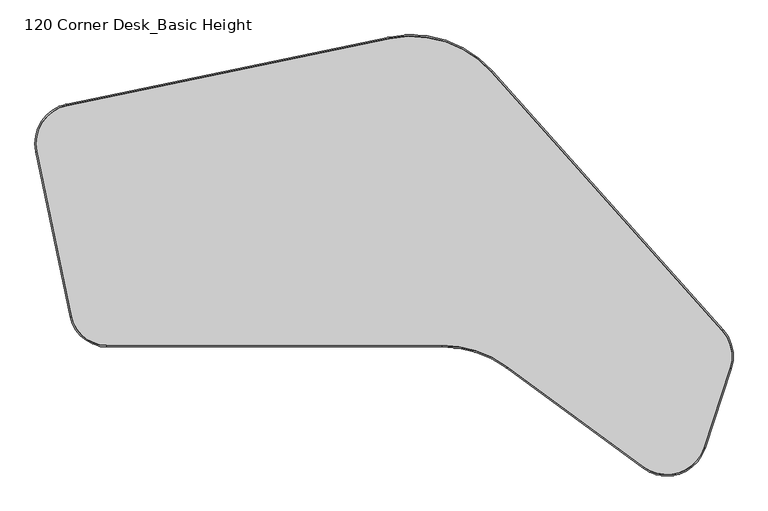
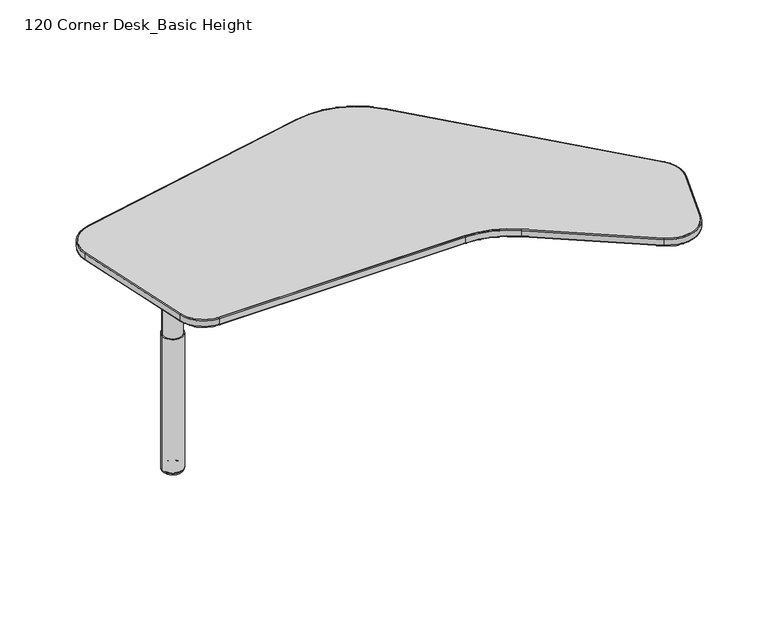
"""IFC4 building model written with IfcOpenShell, lengths in millimetres: furniture geometry, 120 Corner Desk_Basic Height."""

from ifc_helpers import new_model, si_unit, point, frame, frame_2d, origin, place, context, project, spatial, polyline, circle_curve, ellipse_curve, trimmed, segment, composite_curve, outline, extrude, source, transform, mapped, element, save
from ifc_brep_helpers import plane_surface, cylinder_surface, revolved_surface, advanced_brep


def furniture_120_corner_desk_basic_height_c9e0e424(model_context):
    return source(origin(), model_context, "Body", "SolidModel", [
        advanced_brep(
        [(218.1847437, 295.4283696, 672.2060139), (162.0492913, 299.8722401, 672.2060139), (190.1170175, 297.6503048, 672.2060139), (218.1847437, 295.4283696, 647.7686974), (162.0492913, 299.8722401, 647.7686974), (221.2754664, 295.1836976, 647.7686974), (158.9585686, 300.1169121, 647.7686974), (221.2754664, 295.1836976, 485.9002831), (158.9585686, 300.1169121, 485.9002831), (225.3000442, 294.8650985, 485.9002831), (154.9339908, 300.4355111, 485.9002831), (225.3000442, 294.8650985, 10.2163535), (154.9339908, 300.4355111, 10.2163535), (224.0360678, 294.9651591, 9.4693355), (156.1979672, 300.3354505, 9.4693355), (224.8786925, 294.8984541, 8.8323857), (155.3553425, 300.4021555, 8.8323857), (216.7436839, 295.5424487, 0.0), (163.4903512, 299.758161, 0.0), (190.1170175, 297.6503048, 0.0)],
        [
            (0, 1, circle_curve(frame((190.1170175, 297.6503048, 672.2060139), z_axis=(0.0, 0.0, 1.0), x_axis=(-0.9968812328975419, 0.07891645897198368, 0.0)), 28.1555368)),
            (1, 2),
            (2, 0),
            (1, 0, circle_curve(frame((190.1170175, 297.6503048, 672.2060139), z_axis=(0.0, 0.0, 1.0), x_axis=(-0.9968812328975419, 0.07891645897198368, 0.0)), 28.1555368)),
            (3, 4, circle_curve(frame((190.1170175, 297.6503048, 647.7686974), z_axis=(0.0, 0.0, 1.0), x_axis=(-0.9968812328975419, 0.07891645897198368, 0.0)), 28.1555368)),
            (4, 1),
            (0, 3),
            (4, 3, circle_curve(frame((190.1170175, 297.6503048, 647.7686974), z_axis=(0.0, 0.0, 1.0), x_axis=(-0.9968812328975419, 0.07891645897198368, 0.0)), 28.1555368)),
            (5, 6, circle_curve(frame((190.1170175, 297.6503048, 647.7686974), z_axis=(0.0, 0.0, 1.0), x_axis=(-0.9968812328975419, 0.07891645897198368, 0.0)), 31.2559289)),
            (6, 4),
            (3, 5),
            (6, 5, circle_curve(frame((190.1170175, 297.6503048, 647.7686974), z_axis=(0.0, 0.0, 1.0), x_axis=(-0.9968812328975419, 0.07891645897198368, 0.0)), 31.2559289)),
            (7, 8, circle_curve(frame((190.1170175, 297.6503048, 485.9002831), z_axis=(0.0, 0.0, 1.0), x_axis=(-0.9968812328975419, 0.07891645897198368, 0.0)), 31.2559289)),
            (8, 6),
            (5, 7),
            (8, 7, circle_curve(frame((190.1170175, 297.6503048, 485.9002831), z_axis=(0.0, 0.0, 1.0), x_axis=(-0.9968812328975419, 0.07891645897198368, 0.0)), 31.2559289)),
            (9, 10, circle_curve(frame((190.1170175, 297.6503048, 485.9002831), z_axis=(0.0, 0.0, 1.0), x_axis=(-0.9968812328975419, 0.07891645897198368, 0.0)), 35.2930977)),
            (10, 8),
            (7, 9),
            (10, 9, circle_curve(frame((190.1170175, 297.6503048, 485.9002831), z_axis=(0.0, 0.0, 1.0), x_axis=(-0.9968812328975419, 0.07891645897198368, 0.0)), 35.2930977)),
            (11, 12, circle_curve(frame((190.1170175, 297.6503048, 10.2163535), z_axis=(0.0, 0.0, 1.0), x_axis=(-0.9968812328975419, 0.07891645897198368, 0.0)), 35.2930977)),
            (12, 10),
            (9, 11),
            (12, 11, circle_curve(frame((190.1170175, 297.6503048, 10.2163535), z_axis=(0.0, 0.0, 1.0), x_axis=(-0.9968812328975419, 0.07891645897198368, 0.0)), 35.2930977)),
            (13, 14, circle_curve(frame((190.1170175, 297.6503048, 9.4693355), z_axis=(0.0, 0.0, 1.0), x_axis=(-0.9968812328975419, 0.07891645897198368, 0.0)), 34.0251669)),
            (14, 12, circle_curve(frame((156.3857362, 300.3205861, 11.2385904), z_axis=(0.07891645897198368, 0.9968812328975419, 0.0), x_axis=(0.9968812328975419, -0.07891645897198368, 0.0)), 1.7792529)),
            (11, 13, circle_curve(frame((223.8482988, 294.9800236, 11.2385904), z_axis=(0.07891645897198046, 0.9968812328975422, 0.0), x_axis=(-0.9968812328975422, 0.07891645897198046, 0.0)), 1.7792529)),
            (14, 13, circle_curve(frame((190.1170175, 297.6503048, 9.4693355), z_axis=(0.0, 0.0, 1.0), x_axis=(-0.9968812328975419, 0.07891645897198368, 0.0)), 34.0251669)),
            (15, 16, circle_curve(frame((190.1170175, 297.6503048, 8.8323857), z_axis=(0.0, 0.0, 1.0), x_axis=(-0.9968812328975419, 0.07891645897198368, 0.0)), 34.8704278)),
            (16, 14, circle_curve(frame((156.8915053, 300.2805477, 7.6667755), z_axis=(0.07891645897198368, 0.9968812328975419, 0.0), x_axis=(0.9968812328975419, -0.07891645897198368, 0.0)), 1.9321573)),
            (13, 15, circle_curve(frame((223.3425297, 295.0200619, 7.6667755), z_axis=(0.07891645897198046, 0.9968812328975422, 0.0), x_axis=(-0.9968812328975422, 0.07891645897198046, 0.0)), 1.9321573)),
            (16, 15, circle_curve(frame((190.1170175, 297.6503048, 8.8323857), z_axis=(0.0, 0.0, 1.0), x_axis=(-0.9968812328975419, 0.07891645897198368, 0.0)), 34.8704278)),
            (17, 18, circle_curve(frame((190.1170175, 297.6503048, 0.0), z_axis=(0.0, 0.0, 1.0), x_axis=(-0.9968812328975419, 0.07891645897198368, 0.0)), 26.7099685)),
            (18, 16, circle_curve(frame((163.4903512, 299.758161, 8.1860178), z_axis=(0.07891645897198368, 0.9968812328975419, 0.0), x_axis=(0.9968812328975419, -0.07891645897198368, 0.0)), 8.1860178)),
            (15, 17, circle_curve(frame((216.7436839, 295.5424487, 8.1860178), z_axis=(0.07891645897198046, 0.9968812328975422, 0.0), x_axis=(-0.9968812328975422, 0.07891645897198046, 0.0)), 8.1860178)),
            (18, 17, circle_curve(frame((190.1170175, 297.6503048, 0.0), z_axis=(0.0, 0.0, 1.0), x_axis=(-0.9968812328975419, 0.07891645897198368, 0.0)), 26.7099685)),
            (19, 18),
            (17, 19),
        ],
        [
            plane_surface(frame((190.1170175, 297.6503048, 672.2060139), z_axis=(0.0, 0.0, 1.0), x_axis=(-0.9968812328975419, 0.07891645897198368, 0.0))),
            cylinder_surface(frame((190.1170175, 297.6503048, -31.75), z_axis=(0.0, 0.0, -1.0), x_axis=(-0.9968812328975419, 0.07891645897198368, 0.0)), 28.1555368),
            plane_surface(frame((190.1170175, 297.6503048, 647.7686974), z_axis=(0.0, 0.0, 1.0), x_axis=(-0.9968812328975419, 0.07891645897198368, 0.0))),
            cylinder_surface(frame((190.1170175, 297.6503048, -31.75), z_axis=(0.0, 0.0, -1.0), x_axis=(-0.9968812328975419, 0.07891645897198368, 0.0)), 31.2559289),
            plane_surface(frame((190.1170175, 297.6503048, 485.9002831), z_axis=(0.0, 0.0, 1.0), x_axis=(-0.9968812328975419, 0.07891645897198368, 0.0))),
            cylinder_surface(frame((190.1170175, 297.6503048, -31.75), z_axis=(0.0, 0.0, -1.0), x_axis=(-0.9968812328975419, 0.07891645897198368, 0.0)), 35.2930977),
            revolved_surface(trimmed(ellipse_curve(frame((156.3857362, 300.3205861, 11.2385904), z_axis=(-0.07891645897198368, -0.9968812328975419, 0.0), x_axis=(0.9968812328975419, -0.07891645897198368, 0.0)), 1.7792529, 1.7792529), [point((154.9339908, 300.4355111, 10.2163535))], [point((156.1979672, 300.3354505, 9.4693355))], True, "CARTESIAN"), (190.1170175, 297.6503048, -31.75), (0.0, 0.0, -1.0)),
            revolved_surface(trimmed(ellipse_curve(frame((156.8915053, 300.2805477, 7.6667755), z_axis=(-0.07891645897198368, -0.9968812328975419, 0.0), x_axis=(0.9968812328975419, -0.07891645897198368, 0.0)), 1.9321573, 1.9321573), [point((156.1979672, 300.3354505, 9.4693355))], [point((155.3553425, 300.4021555, 8.8323857))], True, "CARTESIAN"), (190.1170175, 297.6503048, -31.75), (0.0, 0.0, -1.0)),
            revolved_surface(trimmed(ellipse_curve(frame((163.4903512, 299.758161, 8.1860178), z_axis=(-0.07891645897198368, -0.9968812328975419, 0.0), x_axis=(0.9968812328975419, -0.07891645897198368, 0.0)), 8.1860178, 8.1860178), [point((155.3553425, 300.4021555, 8.8323857))], [point((163.4903512, 299.758161, 0.0))], True, "CARTESIAN"), (190.1170175, 297.6503048, -31.75), (0.0, 0.0, -1.0)),
            plane_surface(frame((190.1170175, 297.6503048, 0.0), z_axis=(0.0, 0.0, -1.0), x_axis=(-0.9968812328975419, 0.07891645897198368, 0.0))),
        ],
        [
            (0, [[1, 2, 3]]),
            (0, [[4, -3, -2]]),
            (1, [[5, 6, -1, 7]]),
            (1, [[8, -7, -4, -6]]),
            (2, [[9, 10, -5, 11]]),
            (2, [[12, -11, -8, -10]]),
            (3, [[13, 14, -9, 15]]),
            (3, [[16, -15, -12, -14]]),
            (4, [[17, 18, -13, 19]]),
            (4, [[20, -19, -16, -18]]),
            (5, [[21, 22, -17, 23]]),
            (5, [[24, -23, -20, -22]]),
            (6, [[25, 26, -21, 27]]),
            (6, [[28, -27, -24, -26]]),
            (7, [[29, 30, -25, 31]]),
            (7, [[32, -31, -28, -30]]),
            (8, [[33, 34, -29, 35]]),
            (8, [[36, -35, -32, -34]]),
            (9, [[37, -33, 38]]),
            (9, [[-38, -36, -37]]),
        ],
    ),
        advanced_brep(
        [(176.4500095, 3.81, 698.6714043), (176.4500095, 3.81, 723.9), (1003.2845277, 3.81, 723.9), (1003.2845277, 3.81, 698.6714043), (176.4500095, 0.0, 701.2114043), (176.4500095, 2.54, 698.6714043), (1003.2845277, 2.54, 698.6714043), (1003.2845277, 0.0, 701.2114043), (176.4500095, 0.0, 721.36), (1003.2845277, 0.0, 721.36), (176.4500095, 2.54, 723.9), (1003.2845277, 2.54, 723.9), (1164.859092, -49.1264778, 698.6714043), (1164.859092, -49.1264778, 723.9), (1162.6045632, -52.1978292, 701.2114043), (1164.1075824, -50.1502616, 698.6714043), (1162.6045632, -52.1978292, 721.36), (1164.1075824, -50.1502616, 723.9), (1502.3008534, -296.8259604, 723.9), (1502.3008534, -296.8259604, 698.6714043), (1501.5493438, -297.8497442, 698.6714043), (1500.0463246, -299.8973118, 701.2114043), (1500.0463246, -299.8973118, 721.36), (1501.5493438, -297.8497442, 723.9), (1649.1152371, -249.8943009, 698.6714043), (1649.1152371, -249.8943009, 723.9), (1652.7332836, -251.088386, 701.2114043), (1650.3212526, -250.2923292, 698.6714043), (1652.7332836, -251.088386, 721.36), (1650.3212526, -250.2923292, 723.9), (1713.8957486, -53.6110488, 723.9), (1713.8957486, -53.6110488, 698.6714043), (1715.1017641, -54.0090771, 698.6714043), (1717.5137951, -54.8051339, 701.2114043), (1717.5137951, -54.8051339, 721.36), (1715.1017641, -54.0090771, 723.9), (1694.5230089, 39.6478618, 698.6714043), (1694.5230089, 39.6478618, 723.9), (1697.3661459, 42.1841331, 701.2114043), (1695.4707212, 40.4932855, 698.6714043), (1697.3661459, 42.1841331, 721.36), (1695.4707212, 40.4932855, 723.9), (1125.4297504, 677.5961986, 723.9), (1125.4297504, 677.5961986, 698.6714043), (1126.3774627, 678.4416224, 698.6714043), (1128.2728874, 680.1324699, 701.2114043), (1128.2728874, 680.1324699, 721.36), (1126.3774627, 678.4416224, 723.9), (874.5786416, 760.3866443, 698.6714043), (874.5786416, 760.3866443, 723.9), (873.8037337, 764.1170086, 701.2114043), (874.320339, 761.6300991, 698.6714043), (873.8037337, 764.1170086, 721.36), (874.320339, 761.6300991, 723.9), (78.5531605, 595.0284191, 723.9), (78.5531605, 595.0284191, 698.6714043), (78.2948579, 596.2718739, 698.6714043), (77.7782526, 598.7587834, 701.2114043), (77.7782526, 598.7587834, 721.36), (78.2948579, 596.2718739, 723.9), (4.6683853, 482.3887447, 698.6714043), (4.6683853, 482.3887447, 723.9), (0.9380865, 481.613522, 701.2114043), (3.4249524, 482.1303371, 698.6714043), (0.9380865, 481.613522, 721.36), (3.4249524, 482.1303371, 723.9), (89.4097021, 74.6214708, 723.9), (89.4097021, 74.6214708, 698.6714043), (88.1662691, 74.3630632, 698.6714043), (85.6794032, 73.8462481, 701.2114043), (85.6794032, 73.8462481, 721.36), (88.1662691, 74.3630632, 723.9)],
        [
            (0, 1),
            (1, 2),
            (2, 3),
            (3, 0),
            (4, 5, circle_curve(frame((176.4500095, 2.54, 701.2114043), z_axis=(1.0, 0.0, 0.0), x_axis=(0.0, 1.0, 0.0)), 2.54)),
            (5, 6),
            (6, 7, circle_curve(frame((1003.2845277, 2.54, 701.2114043), z_axis=(-1.0, 0.0, 0.0), x_axis=(0.0, 1.0, 0.0)), 2.54)),
            (7, 4),
            (8, 4),
            (7, 9),
            (9, 8),
            (10, 8, circle_curve(frame((176.4500095, 2.54, 721.36), z_axis=(1.0, 0.0, 0.0), x_axis=(0.0, 1.0, 0.0)), 2.54)),
            (9, 11, circle_curve(frame((1003.2845277, 2.54, 721.36), z_axis=(-1.0, 0.0, 0.0), x_axis=(0.0, 1.0, 0.0)), 2.54)),
            (11, 10),
            (12, 3, circle_curve(frame((1003.2845277, -269.24, 698.6714043), z_axis=(0.0, 0.0, 1.0), x_axis=(0.0, 1.0, 0.0)), 273.05)),
            (2, 13, circle_curve(frame((1003.2845277, -269.24, 723.9), z_axis=(0.0, 0.0, -1.0), x_axis=(0.0, 1.0, 0.0)), 273.05)),
            (13, 12),
            (14, 7, circle_curve(frame((1003.2845277, -269.24, 701.2114043), z_axis=(0.0, 0.0, 1.0), x_axis=(0.0, 1.0, 0.0)), 269.24)),
            (6, 15, circle_curve(frame((1003.2845277, -269.24, 698.6714043), z_axis=(0.0, 0.0, -1.0), x_axis=(0.0, 1.0, 0.0)), 271.78)),
            (15, 14, circle_curve(frame((1164.1075824, -50.1502616, 701.2114043), z_axis=(-0.8061289955728148, 0.5917398435940956, 0.0), x_axis=(0.5917398435940956, 0.8061289955728148, 0.0)), 2.54)),
            (16, 9, circle_curve(frame((1003.2845277, -269.24, 721.36), z_axis=(0.0, 0.0, 1.0), x_axis=(0.0, 1.0, 0.0)), 269.24)),
            (14, 16),
            (17, 11, circle_curve(frame((1003.2845277, -269.24, 723.9), z_axis=(0.0, 0.0, 1.0), x_axis=(0.0, 1.0, 0.0)), 271.78)),
            (16, 17, circle_curve(frame((1164.1075824, -50.1502616, 721.36), z_axis=(-0.8061289955728146, 0.5917398435940959, 0.0), x_axis=(0.5917398435940959, 0.8061289955728146, 0.0)), 2.54)),
            (13, 18),
            (18, 19),
            (19, 12),
            (15, 20),
            (20, 21, circle_curve(frame((1501.5493438, -297.8497442, 701.2114043), z_axis=(-0.8061289955728148, 0.5917398435940956, 0.0), x_axis=(0.5917398435940956, 0.8061289955728148, 0.0)), 2.54)),
            (21, 14),
            (21, 22),
            (22, 16),
            (22, 23, circle_curve(frame((1501.5493438, -297.8497442, 721.36), z_axis=(-0.8061289955728148, 0.5917398435940956, 0.0), x_axis=(0.5917398435940956, 0.8061289955728148, 0.0)), 2.54)),
            (23, 17),
            (24, 19, circle_curve(frame((1558.6640735, -220.0421735, 698.6714043), z_axis=(0.0, 0.0, -1.0), x_axis=(-0.5917398435940961, -0.8061289955728144, 0.0)), 95.25)),
            (18, 25, circle_curve(frame((1558.6640735, -220.0421735, 723.9), z_axis=(0.0, 0.0, 1.0), x_axis=(-0.5917398435940961, -0.8061289955728144, 0.0)), 95.25)),
            (25, 24),
            (26, 21, circle_curve(frame((1558.6640735, -220.0421735, 701.2114043), z_axis=(0.0, 0.0, -1.0), x_axis=(-0.5917398435940961, -0.8061289955728144, 0.0)), 99.06)),
            (20, 27, circle_curve(frame((1558.6640735, -220.0421735, 698.6714043), z_axis=(0.0, 0.0, 1.0), x_axis=(-0.5917398435940961, -0.8061289955728144, 0.0)), 96.52)),
            (27, 26, circle_curve(frame((1650.3212526, -250.2923292, 701.2114043), z_axis=(-0.3134081611729783, -0.9496185152523999, 0.0), x_axis=(-0.9496185152523999, 0.3134081611729783, 0.0)), 2.54)),
            (28, 22, circle_curve(frame((1558.6640735, -220.0421735, 721.36), z_axis=(0.0, 0.0, -1.0), x_axis=(-0.5917398435940961, -0.8061289955728144, 0.0)), 99.06)),
            (26, 28),
            (29, 23, circle_curve(frame((1558.6640735, -220.0421735, 723.9), z_axis=(0.0, 0.0, -1.0), x_axis=(-0.5917398435940961, -0.8061289955728144, 0.0)), 96.52)),
            (28, 29, circle_curve(frame((1650.3212526, -250.2923292, 721.36), z_axis=(-0.31340816117297987, -0.9496185152523994, 0.0), x_axis=(-0.9496185152523994, 0.31340816117297987, 0.0)), 2.54)),
            (25, 30),
            (30, 31),
            (31, 24),
            (27, 32),
            (32, 33, circle_curve(frame((1715.1017641, -54.0090771, 701.2114043), z_axis=(-0.3134081611729781, -0.9496185152524002, 0.0), x_axis=(-0.9496185152523999, 0.31340816117297804, 0.0)), 2.54)),
            (33, 26),
            (33, 34),
            (34, 28),
            (34, 35, circle_curve(frame((1715.1017641, -54.0090771, 721.36), z_axis=(-0.3134081611729781, -0.9496185152524002, 0.0), x_axis=(-0.9496185152523999, 0.31340816117297804, 0.0)), 2.54)),
            (35, 29),
            (36, 31, circle_curve(frame((1623.444585, -23.7589214, 698.6714043), z_axis=(0.0, 0.0, -1.0), x_axis=(0.9496185152523999, -0.31340816117297826, 0.0)), 95.25)),
            (30, 37, circle_curve(frame((1623.444585, -23.7589214, 723.9), z_axis=(0.0, 0.0, 1.0), x_axis=(0.9496185152523999, -0.31340816117297826, 0.0)), 95.25)),
            (37, 36),
            (38, 33, circle_curve(frame((1623.444585, -23.7589214, 701.2114043), z_axis=(0.0, 0.0, -1.0), x_axis=(0.9496185152523999, -0.31340816117297826, 0.0)), 99.06)),
            (32, 39, circle_curve(frame((1623.444585, -23.7589214, 698.6714043), z_axis=(0.0, 0.0, 1.0), x_axis=(0.9496185152523999, -0.31340816117297826, 0.0)), 96.52)),
            (39, 38, circle_curve(frame((1695.4707212, 40.4932855, 701.2114043), z_axis=(0.6656880124197586, -0.7462301723467308, 0.0), x_axis=(-0.7462301723467308, -0.6656880124197586, 0.0)), 2.54)),
            (40, 34, circle_curve(frame((1623.444585, -23.7589214, 721.36), z_axis=(0.0, 0.0, -1.0), x_axis=(0.9496185152523999, -0.31340816117297826, 0.0)), 99.06)),
            (38, 40),
            (41, 35, circle_curve(frame((1623.444585, -23.7589214, 723.9), z_axis=(0.0, 0.0, -1.0), x_axis=(0.9496185152523999, -0.31340816117297826, 0.0)), 96.52)),
            (40, 41, circle_curve(frame((1695.4707212, 40.4932855, 721.36), z_axis=(0.6656880124197595, -0.74623017234673, 0.0), x_axis=(-0.74623017234673, -0.6656880124197595, 0.0)), 2.54)),
            (37, 42),
            (42, 43),
            (43, 36),
            (39, 44),
            (44, 45, circle_curve(frame((1126.3774627, 678.4416224, 701.2114043), z_axis=(0.6656880124197574, -0.7462301723467317, 0.0), x_axis=(-0.7462301723467317, -0.6656880124197574, 0.0)), 2.54)),
            (45, 38),
            (45, 46),
            (46, 40),
            (46, 47, circle_curve(frame((1126.3774627, 678.4416224, 721.36), z_axis=(0.6656880124197574, -0.7462301723467317, 0.0), x_axis=(-0.7462301723467317, -0.6656880124197574, 0.0)), 2.54)),
            (47, 41),
            (48, 43, circle_curve(frame((928.3055881, 501.7480532, 698.6714043), z_axis=(0.0, 0.0, -1.0), x_axis=(0.746230172346732, 0.6656880124197572, 0.0)), 264.16)),
            (42, 49, circle_curve(frame((928.3055881, 501.7480532, 723.9), z_axis=(0.0, 0.0, 1.0), x_axis=(0.746230172346732, 0.6656880124197572, 0.0)), 264.16)),
            (49, 48),
            (50, 45, circle_curve(frame((928.3055881, 501.7480532, 701.2114043), z_axis=(0.0, 0.0, -1.0), x_axis=(0.746230172346732, 0.6656880124197572, 0.0)), 267.97)),
            (44, 51, circle_curve(frame((928.3055881, 501.7480532, 698.6714043), z_axis=(0.0, 0.0, 1.0), x_axis=(0.746230172346732, 0.6656880124197572, 0.0)), 265.43)),
            (51, 50, circle_curve(frame((874.320339, 761.6300991, 701.2114043), z_axis=(0.9790982402051903, 0.20338789547831854, 0.0), x_axis=(0.20338789547831854, -0.9790982402051903, 0.0)), 2.54)),
            (52, 46, circle_curve(frame((928.3055881, 501.7480532, 721.36), z_axis=(0.0, 0.0, -1.0), x_axis=(0.746230172346732, 0.6656880124197572, 0.0)), 267.97)),
            (50, 52),
            (53, 47, circle_curve(frame((928.3055881, 501.7480532, 723.9), z_axis=(0.0, 0.0, -1.0), x_axis=(0.746230172346732, 0.6656880124197572, 0.0)), 265.43)),
            (52, 53, circle_curve(frame((874.320339, 761.6300991, 721.36), z_axis=(0.9790982402051903, 0.20338789547831854, 0.0), x_axis=(0.20338789547831854, -0.9790982402051903, 0.0)), 2.54)),
            (49, 54),
            (54, 55),
            (55, 48),
            (51, 56),
            (56, 57, circle_curve(frame((78.2948579, 596.2718739, 701.2114043), z_axis=(0.9790982402051905, 0.2033878954783179, 0.0), x_axis=(0.2033878954783179, -0.9790982402051905, 0.0)), 2.54)),
            (57, 50),
            (57, 58),
            (58, 52),
            (58, 59, circle_curve(frame((78.2948579, 596.2718739, 721.36), z_axis=(0.9790982402051905, 0.2033878954783179, 0.0), x_axis=(0.2033878954783179, -0.9790982402051905, 0.0)), 2.54)),
            (59, 53),
            (60, 55, circle_curve(frame((97.9258575, 501.7693117, 698.6714043), z_axis=(0.0, 0.0, -1.0), x_axis=(-0.20338789547831754, 0.9790982402051905, 0.0)), 95.25)),
            (54, 61, circle_curve(frame((97.9258575, 501.7693117, 723.9), z_axis=(0.0, 0.0, 1.0), x_axis=(-0.20338789547831754, 0.9790982402051905, 0.0)), 95.25)),
            (61, 60),
            (62, 57, circle_curve(frame((97.9258575, 501.7693117, 701.2114043), z_axis=(0.0, 0.0, -1.0), x_axis=(-0.20338789547831754, 0.9790982402051905, 0.0)), 99.06)),
            (56, 63, circle_curve(frame((97.9258575, 501.7693117, 698.6714043), z_axis=(0.0, 0.0, 1.0), x_axis=(-0.20338789547831754, 0.9790982402051905, 0.0)), 96.52)),
            (63, 62, circle_curve(frame((3.4249524, 482.1303371, 701.2114043), z_axis=(-0.20347052011528033, 0.9790810729679219, 0.0), x_axis=(0.9790810729679219, 0.20347052011528033, 0.0)), 2.54)),
            (64, 58, circle_curve(frame((97.9258575, 501.7693117, 721.36), z_axis=(0.0, 0.0, -1.0), x_axis=(-0.20338789547831754, 0.9790982402051905, 0.0)), 99.06)),
            (62, 64),
            (65, 59, circle_curve(frame((97.9258575, 501.7693117, 723.9), z_axis=(0.0, 0.0, -1.0), x_axis=(-0.20338789547831754, 0.9790982402051905, 0.0)), 96.52)),
            (64, 65, circle_curve(frame((3.4249524, 482.1303371, 721.36), z_axis=(-0.20347052011528075, 0.9790810729679218, 0.0), x_axis=(0.9790810729679218, 0.20347052011528075, 0.0)), 2.54)),
            (61, 66),
            (66, 67),
            (67, 60),
            (63, 68),
            (68, 69, circle_curve(frame((88.1662691, 74.3630632, 701.2114043), z_axis=(-0.203470520115287, 0.9790810729679207, 0.0), x_axis=(0.9790810729679207, 0.203470520115287, 0.0)), 2.54)),
            (69, 62),
            (69, 70),
            (70, 64),
            (70, 71, circle_curve(frame((88.1662691, 74.3630632, 721.36), z_axis=(-0.203470520115287, 0.9790810729679207, 0.0), x_axis=(0.9790810729679207, 0.203470520115287, 0.0)), 2.54)),
            (71, 65),
            (0, 67, circle_curve(frame((176.4500095, 92.71, 698.6714043), z_axis=(0.0, 0.0, -1.0), x_axis=(-0.9790810729679205, -0.20347052011528752, 0.0)), 88.9)),
            (66, 1, circle_curve(frame((176.4500095, 92.71, 723.9), z_axis=(0.0, 0.0, 1.0), x_axis=(-0.9790810729679205, -0.20347052011528752, 0.0)), 88.9)),
            (5, 68, circle_curve(frame((176.4500095, 92.71, 698.6714043), z_axis=(0.0, 0.0, -1.0), x_axis=(-0.9790810729679205, -0.20347052011528752, 0.0)), 90.17)),
            (4, 69, circle_curve(frame((176.4500095, 92.71, 701.2114043), z_axis=(0.0, 0.0, -1.0), x_axis=(-0.9790810729679205, -0.20347052011528752, 0.0)), 92.71)),
            (8, 70, circle_curve(frame((176.4500095, 92.71, 721.36), z_axis=(0.0, 0.0, -1.0), x_axis=(-0.9790810729679205, -0.20347052011528752, 0.0)), 92.71)),
            (10, 71, circle_curve(frame((176.4500095, 92.71, 723.9), z_axis=(0.0, 0.0, -1.0), x_axis=(-0.9790810729679205, -0.20347052011528752, 0.0)), 90.17)),
        ],
        [
            plane_surface(frame((176.4500095, 3.81, 723.9), z_axis=(0.0, 1.0, 0.0), x_axis=(1.0, 0.0, 0.0))),
            cylinder_surface(frame((176.4500095, 2.54, 701.2114043), z_axis=(-1.0, 0.0, 0.0), x_axis=(0.0, 1.0, 0.0)), 2.54),
            plane_surface(frame((176.4500095, 0.0, 701.2114043), z_axis=(0.0, -1.0, 0.0), x_axis=(1.0, 0.0, 0.0))),
            cylinder_surface(frame((176.4500095, 2.54, 721.36), z_axis=(-1.0, 0.0, 0.0), x_axis=(0.0, 1.0, 0.0)), 2.54),
            cylinder_surface(frame((1003.2845277, -269.24, 0.0), z_axis=(0.0, 0.0, -1.0), x_axis=(0.0, 1.0, 0.0)), 273.05),
            revolved_surface(trimmed(ellipse_curve(frame((1003.2845277, 2.54, 701.2114043), z_axis=(-1.0, 0.0, 0.0), x_axis=(0.0, 1.0, 0.0)), 2.54, 2.54), [point((1003.2845277, 2.54, 698.6714043))], [point((1003.2845277, 0.0, 701.2114043))], True, "CARTESIAN"), (1003.2845277, -269.24, 0.0), (0.0, 0.0, -1.0)),
            revolved_surface(polyline([(1003.2845277, 0.0, 701.2114043), (1003.2845277, 0.0, 721.36)]), (1003.2845277, -269.24, 0.0), (0.0, 0.0, -1.0)),
            revolved_surface(trimmed(ellipse_curve(frame((1003.2845277, 2.54, 721.36), z_axis=(-1.0, 0.0, 0.0), x_axis=(0.0, 1.0, 0.0)), 2.54, 2.54), [point((1003.2845277, 0.0, 721.36))], [point((1003.2845277, 2.54, 723.9))], True, "CARTESIAN"), (1003.2845277, -269.24, 0.0), (0.0, 0.0, -1.0)),
            plane_surface(frame((1164.859092, -49.1264778, 723.9), z_axis=(0.5917398435940957, 0.8061289955728148, 0.0), x_axis=(0.8061289955728148, -0.5917398435940957, 0.0))),
            cylinder_surface(frame((1164.1075824, -50.1502616, 701.2114043), z_axis=(-0.8061289955728148, 0.5917398435940956, 0.0), x_axis=(0.5917398435940956, 0.8061289955728148, 0.0)), 2.54),
            plane_surface(frame((1162.6045632, -52.1978292, 701.2114043), z_axis=(-0.591739843594095, -0.8061289955728151, 0.0), x_axis=(0.8061289955728151, -0.591739843594095, 0.0))),
            cylinder_surface(frame((1164.1075824, -50.1502616, 721.36), z_axis=(-0.8061289955728148, 0.5917398435940956, 0.0), x_axis=(0.5917398435940956, 0.8061289955728148, 0.0)), 2.54),
            revolved_surface(polyline([(1502.3008533976624, -296.82596032831054, 723.9), (1502.3008533976624, -296.82596032831054, 698.6714043)]), (1558.6640735, -220.0421735, 0.0), (0.0, 0.0, 1.0)),
            revolved_surface(trimmed(ellipse_curve(frame((1501.5493438, -297.8497442, 701.2114043), z_axis=(-0.8061289955728145, 0.591739843594096, 0.0), x_axis=(0.591739843594096, 0.8061289955728145, 0.0)), 2.54, 2.54), [point((1501.5493438, -297.8497442, 698.6714043))], [point((1500.0463246, -299.8973118, 701.2114043))], True, "CARTESIAN"), (1558.6640735, -220.0421735, 0.0), (0.0, 0.0, 1.0)),
            cylinder_surface(frame((1558.6640735, -220.0421735, 0.0), z_axis=(0.0, 0.0, 1.0), x_axis=(-0.5917398435940961, -0.8061289955728144, 0.0)), 99.06),
            revolved_surface(trimmed(ellipse_curve(frame((1501.5493438, -297.8497442, 721.36), z_axis=(-0.8061289955728145, 0.591739843594096, 0.0), x_axis=(0.591739843594096, 0.8061289955728145, 0.0)), 2.54, 2.54), [point((1500.0463246, -299.8973118, 721.36))], [point((1501.5493438, -297.8497442, 723.9))], True, "CARTESIAN"), (1558.6640735, -220.0421735, 0.0), (0.0, 0.0, 1.0)),
            plane_surface(frame((1649.1152371, -249.8943009, 723.9), z_axis=(-0.9496185152523999, 0.31340816117297843, 0.0), x_axis=(0.31340816117297843, 0.9496185152523999, 0.0))),
            cylinder_surface(frame((1650.3212526, -250.2923292, 701.2114043), z_axis=(-0.31340816117297804, -0.9496185152523999, 0.0), x_axis=(-0.9496185152523999, 0.31340816117297804, 0.0)), 2.54),
            plane_surface(frame((1652.7332836, -251.088386, 701.2114043), z_axis=(0.9496185152523998, -0.3134081611729786, 0.0), x_axis=(0.3134081611729786, 0.9496185152523998, 0.0))),
            cylinder_surface(frame((1650.3212526, -250.2923292, 721.36), z_axis=(-0.31340816117297804, -0.9496185152523999, 0.0), x_axis=(-0.9496185152523999, 0.31340816117297804, 0.0)), 2.54),
            revolved_surface(polyline([(1713.895748577791, -53.61104875172617, 723.9), (1713.895748577791, -53.61104875172617, 698.6714043)]), (1623.444585, -23.7589214, 0.0), (0.0, 0.0, 1.0)),
            revolved_surface(trimmed(ellipse_curve(frame((1715.1017641, -54.0090771, 701.2114043), z_axis=(-0.31340816117297815, -0.9496185152523999, 0.0), x_axis=(-0.9496185152523999, 0.31340816117297815, 0.0)), 2.54, 2.54), [point((1715.1017641, -54.0090771, 698.6714043))], [point((1717.5137951, -54.8051339, 701.2114043))], True, "CARTESIAN"), (1623.444585, -23.7589214, 0.0), (0.0, 0.0, 1.0)),
            cylinder_surface(frame((1623.444585, -23.7589214, 0.0), z_axis=(0.0, 0.0, 1.0), x_axis=(0.9496185152523999, -0.31340816117297826, 0.0)), 99.06),
            revolved_surface(trimmed(ellipse_curve(frame((1715.1017641, -54.0090771, 721.36), z_axis=(-0.31340816117297815, -0.9496185152523999, 0.0), x_axis=(-0.9496185152523999, 0.31340816117297815, 0.0)), 2.54, 2.54), [point((1717.5137951, -54.8051339, 721.36))], [point((1715.1017641, -54.0090771, 723.9))], True, "CARTESIAN"), (1623.444585, -23.7589214, 0.0), (0.0, 0.0, 1.0)),
            plane_surface(frame((1694.5230089, 39.6478618, 723.9), z_axis=(-0.7462301723467318, -0.6656880124197574, 0.0), x_axis=(-0.6656880124197574, 0.7462301723467318, 0.0))),
            cylinder_surface(frame((1695.4707212, 40.4932855, 701.2114043), z_axis=(0.6656880124197574, -0.7462301723467317, 0.0), x_axis=(-0.7462301723467317, -0.6656880124197574, 0.0)), 2.54),
            plane_surface(frame((1697.3661459, 42.1841331, 701.2114043), z_axis=(0.7462301723467318, 0.6656880124197573, 0.0), x_axis=(-0.6656880124197573, 0.7462301723467318, 0.0))),
            cylinder_surface(frame((1695.4707212, 40.4932855, 721.36), z_axis=(0.6656880124197574, -0.7462301723467317, 0.0), x_axis=(-0.7462301723467317, -0.6656880124197574, 0.0)), 2.54),
            revolved_surface(polyline([(1125.4297504271128, 677.596198560803, 723.9), (1125.4297504271128, 677.596198560803, 698.6714043)]), (928.3055881, 501.7480532, 0.0), (0.0, 0.0, 1.0)),
            revolved_surface(trimmed(ellipse_curve(frame((1126.3774627, 678.4416224, 701.2114043), z_axis=(0.6656880124197573, -0.7462301723467318, 0.0), x_axis=(-0.7462301723467318, -0.6656880124197573, 0.0)), 2.54, 2.54), [point((1126.3774627, 678.4416224, 698.6714043))], [point((1128.2728874, 680.1324699, 701.2114043))], True, "CARTESIAN"), (928.3055881, 501.7480532, 0.0), (0.0, 0.0, 1.0)),
            cylinder_surface(frame((928.3055881, 501.7480532, 0.0), z_axis=(0.0, 0.0, 1.0), x_axis=(0.746230172346732, 0.6656880124197572, 0.0)), 267.97),
            revolved_surface(trimmed(ellipse_curve(frame((1126.3774627, 678.4416224, 721.36), z_axis=(0.6656880124197573, -0.7462301723467318, 0.0), x_axis=(-0.7462301723467318, -0.6656880124197573, 0.0)), 2.54, 2.54), [point((1128.2728874, 680.1324699, 721.36))], [point((1126.3774627, 678.4416224, 723.9))], True, "CARTESIAN"), (928.3055881, 501.7480532, 0.0), (0.0, 0.0, 1.0)),
            plane_surface(frame((874.5786416, 760.3866443, 723.9), z_axis=(0.20338789547831787, -0.9790982402051905, 0.0), x_axis=(-0.9790982402051905, -0.20338789547831787, 0.0))),
            cylinder_surface(frame((874.320339, 761.6300991, 701.2114043), z_axis=(0.9790982402051905, 0.2033878954783179, 0.0), x_axis=(0.2033878954783179, -0.9790982402051905, 0.0)), 2.54),
            plane_surface(frame((873.8037337, 764.1170086, 701.2114043), z_axis=(-0.2033878954783177, 0.9790982402051905, 0.0), x_axis=(-0.9790982402051905, -0.2033878954783177, 0.0))),
            cylinder_surface(frame((874.320339, 761.6300991, 721.36), z_axis=(0.9790982402051905, 0.2033878954783179, 0.0), x_axis=(0.2033878954783179, -0.9790982402051905, 0.0)), 2.54),
            revolved_surface(polyline([(78.55316045569026, 595.0284190795444, 723.9), (78.55316045569026, 595.0284190795444, 698.6714043)]), (97.9258575, 501.7693117, 0.0), (0.0, 0.0, 1.0)),
            revolved_surface(trimmed(ellipse_curve(frame((78.2948579, 596.2718739, 701.2114043), z_axis=(0.9790982402051905, 0.20338789547831754, 0.0), x_axis=(0.20338789547831754, -0.9790982402051905, 0.0)), 2.54, 2.54), [point((78.2948579, 596.2718739, 698.6714043))], [point((77.7782526, 598.7587834, 701.2114043))], True, "CARTESIAN"), (97.9258575, 501.7693117, 0.0), (0.0, 0.0, 1.0)),
            cylinder_surface(frame((97.9258575, 501.7693117, 0.0), z_axis=(0.0, 0.0, 1.0), x_axis=(-0.20338789547831754, 0.9790982402051905, 0.0)), 99.06),
            revolved_surface(trimmed(ellipse_curve(frame((78.2948579, 596.2718739, 721.36), z_axis=(0.9790982402051905, 0.20338789547831754, 0.0), x_axis=(0.20338789547831754, -0.9790982402051905, 0.0)), 2.54, 2.54), [point((77.7782526, 598.7587834, 721.36))], [point((78.2948579, 596.2718739, 723.9))], True, "CARTESIAN"), (97.9258575, 501.7693117, 0.0), (0.0, 0.0, 1.0)),
            plane_surface(frame((4.6683853, 482.3887447, 723.9), z_axis=(0.9790810729679207, 0.20347052011528693, 0.0), x_axis=(0.20347052011528693, -0.9790810729679207, 0.0))),
            cylinder_surface(frame((3.4249524, 482.1303371, 701.2114043), z_axis=(-0.203470520115287, 0.9790810729679207, 0.0), x_axis=(0.9790810729679207, 0.203470520115287, 0.0)), 2.54),
            plane_surface(frame((0.9380865, 481.613522, 701.2114043), z_axis=(-0.9790810729679207, -0.20347052011528655, 0.0), x_axis=(0.20347052011528655, -0.9790810729679207, 0.0))),
            cylinder_surface(frame((3.4249524, 482.1303371, 721.36), z_axis=(-0.203470520115287, 0.9790810729679207, 0.0), x_axis=(0.9790810729679207, 0.203470520115287, 0.0)), 2.54),
            revolved_surface(polyline([(89.40970211315185, 74.62147076175093, 723.9), (89.40970211315185, 74.62147076175093, 698.6714043)]), (176.4500095, 92.71, 0.0), (0.0, 0.0, 1.0)),
            plane_surface(frame((176.4500095, 92.71, 698.6714043), z_axis=(0.0, 0.0, -1.0), x_axis=(-0.9790810729679205, -0.20347052011528752, 0.0))),
            revolved_surface(trimmed(ellipse_curve(frame((88.1662691, 74.3630632, 701.2114043), z_axis=(-0.20347052011528757, 0.9790810729679205, 0.0), x_axis=(0.9790810729679205, 0.20347052011528757, 0.0)), 2.54, 2.54), [point((88.1662691, 74.3630632, 698.6714043))], [point((85.6794032, 73.8462481, 701.2114043))], True, "CARTESIAN"), (176.4500095, 92.71, 0.0), (0.0, 0.0, 1.0)),
            cylinder_surface(frame((176.4500095, 92.71, 0.0), z_axis=(0.0, 0.0, 1.0), x_axis=(-0.9790810729679205, -0.20347052011528752, 0.0)), 92.71),
            revolved_surface(trimmed(ellipse_curve(frame((88.1662691, 74.3630632, 721.36), z_axis=(-0.20347052011528757, 0.9790810729679205, 0.0), x_axis=(0.9790810729679205, 0.20347052011528757, 0.0)), 2.54, 2.54), [point((85.6794032, 73.8462481, 721.36))], [point((88.1662691, 74.3630632, 723.9))], True, "CARTESIAN"), (176.4500095, 92.71, 0.0), (0.0, 0.0, 1.0)),
            plane_surface(frame((176.4500095, 92.71, 723.9), z_axis=(0.0, 0.0, 1.0), x_axis=(-0.9790810729679205, -0.20347052011528752, 0.0))),
        ],
        [
            (0, [[1, 2, 3, 4]]),
            (1, [[5, 6, 7, 8]]),
            (2, [[9, -8, 10, 11]]),
            (3, [[12, -11, 13, 14]]),
            (4, [[15, -3, 16, 17]]),
            (5, [[18, -7, 19, 20]]),
            (6, [[21, -10, -18, 22]]),
            (7, [[23, -13, -21, 24]]),
            (8, [[-17, 25, 26, 27]]),
            (9, [[-20, 28, 29, 30]]),
            (10, [[-22, -30, 31, 32]]),
            (11, [[-24, -32, 33, 34]]),
            (12, [[35, -26, 36, 37]]),
            (13, [[38, -29, 39, 40]]),
            (14, [[41, -31, -38, 42]]),
            (15, [[43, -33, -41, 44]]),
            (16, [[-37, 45, 46, 47]]),
            (17, [[-40, 48, 49, 50]]),
            (18, [[-42, -50, 51, 52]]),
            (19, [[-44, -52, 53, 54]]),
            (20, [[55, -46, 56, 57]]),
            (21, [[58, -49, 59, 60]]),
            (22, [[61, -51, -58, 62]]),
            (23, [[63, -53, -61, 64]]),
            (24, [[-57, 65, 66, 67]]),
            (25, [[-60, 68, 69, 70]]),
            (26, [[-62, -70, 71, 72]]),
            (27, [[-64, -72, 73, 74]]),
            (28, [[75, -66, 76, 77]]),
            (29, [[78, -69, 79, 80]]),
            (30, [[81, -71, -78, 82]]),
            (31, [[83, -73, -81, 84]]),
            (32, [[-77, 85, 86, 87]]),
            (33, [[-80, 88, 89, 90]]),
            (34, [[-82, -90, 91, 92]]),
            (35, [[-84, -92, 93, 94]]),
            (36, [[95, -86, 96, 97]]),
            (37, [[98, -89, 99, 100]]),
            (38, [[101, -91, -98, 102]]),
            (39, [[103, -93, -101, 104]]),
            (40, [[-97, 105, 106, 107]]),
            (41, [[-100, 108, 109, 110]]),
            (42, [[-102, -110, 111, 112]]),
            (43, [[-104, -112, 113, 114]]),
            (44, [[115, -106, 116, -1]]),
            (45, [[117, -108, -99, -88, -79, -68, -59, -48, -39, -28, -19, -6], [-95, -107, -115, -4, -15, -27, -35, -47, -55, -67, -75, -87]]),
            (46, [[118, -109, -117, -5]]),
            (47, [[119, -111, -118, -9]]),
            (48, [[120, -113, -119, -12]]),
            (49, [[-103, -114, -120, -14, -23, -34, -43, -54, -63, -74, -83, -94], [-116, -105, -96, -85, -76, -65, -56, -45, -36, -25, -16, -2]]),
        ],
    ),
        extrude(outline(composite_curve([segment(polyline([(78.5531605, 595.0284191), (874.5786416, 760.3866443)]), True, "CONTINUOUS"), segment(trimmed(circle_curve(frame_2d((928.3055881, 501.7480532)), 264.16), [point((874.5786416, 760.3866443))], [point((1125.4297504, 677.5961986))], False, "CARTESIAN"), True, "CONTINUOUS"), segment(polyline([(1125.4297504, 677.5961986), (1694.5230089, 39.6478618)]), True, "CONTINUOUS"), segment(trimmed(circle_curve(frame_2d((1623.444585, -23.7589214)), 95.25), [point((1694.5230089, 39.6478618))], [point((1713.8957486, -53.6110488))], False, "CARTESIAN"), True, "CONTINUOUS"), segment(polyline([(1713.8957486, -53.6110488), (1649.1152371, -249.8943009)]), True, "CONTINUOUS"), segment(trimmed(circle_curve(frame_2d((1558.6640735, -220.0421735)), 95.25), [point((1649.1152371, -249.8943009))], [point((1502.3008534, -296.8259604))], False, "CARTESIAN"), True, "CONTINUOUS"), segment(polyline([(1502.3008534, -296.8259604), (1164.859092, -49.1264778)]), True, "CONTINUOUS"), segment(trimmed(circle_curve(frame_2d((1003.2845277, -269.24)), 273.05), [point((1164.859092, -49.1264778))], [point((1003.2845277, 3.81))], True, "CARTESIAN"), True, "CONTINUOUS"), segment(polyline([(1003.2845277, 3.81), (176.4500095, 3.81)]), True, "CONTINUOUS"), segment(trimmed(circle_curve(frame_2d((176.4500095, 92.71)), 88.9), [point((176.4500095, 3.81))], [point((89.4097021, 74.6214708))], False, "CARTESIAN"), True, "CONTINUOUS"), segment(polyline([(89.4097021, 74.6214708), (4.6683853, 482.3887447)]), True, "CONTINUOUS"), segment(trimmed(circle_curve(frame_2d((97.9258575, 501.7693117)), 95.25), [point((4.6683853, 482.3887447))], [point((78.5531605, 595.0284191))], False, "CARTESIAN"), True, "CONTINUOUS")], self_intersect=False)), frame((0.0, 0.0, 698.6714043), z_axis=(0.0, 0.0, 1.0), x_axis=(1.0, 0.0, 0.0)), (0.0, 0.0, 1.0), 25.2285957),
    ])


if __name__ == "__main__":
    model = new_model("IFC4")
    model_context = context("Model", 3, world=origin())
    ifc_project = project(units=[si_unit("LENGTHUNIT", "METRE", prefix="MILLI")], contexts=[model_context])
    site = spatial("IfcSite", under=ifc_project)
    building = spatial("IfcBuilding", under=site)
    placement = place(None, origin())
    furniture_120_corner_desk_basic_height_shape = furniture_120_corner_desk_basic_height_c9e0e424(model_context)
    element("IfcFurniture", 1, ObjectType="120 Corner Desk_Basic Height", at=placement, inside=building, context=model_context, shape_type="MappedRepresentation", body=[
        mapped(furniture_120_corner_desk_basic_height_shape, transform((0.0, 0.0, 0.0), x_axis=(1.0, 0.0, 0.0), y_axis=(0.0, 1.0, 0.0), z_axis=(0.0, 0.0, 1.0))),
    ])
    save(model, "model.ifc")
